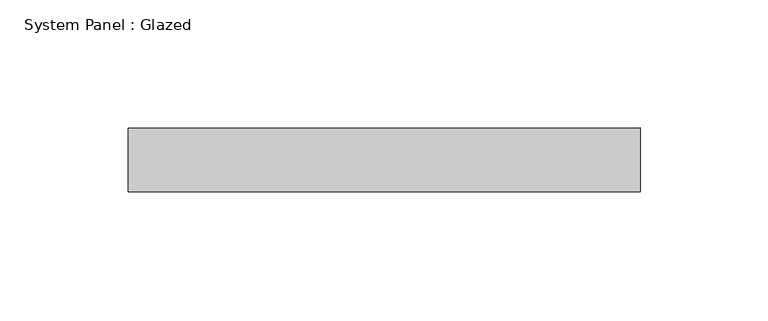
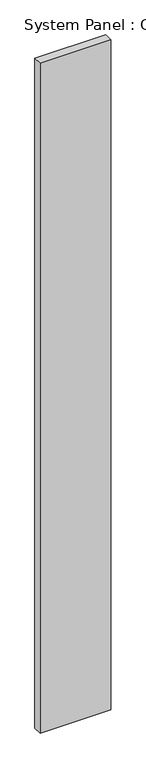
"""IFC4 building model written with IfcOpenShell, lengths in millimetres: plate geometry, System Panel : Glazed."""

from ifc_helpers import new_model, si_unit, origin, origin_with_axes, place, context, project, spatial, polyline, outline, extrude, source, transform, mapped, element, save


def system_panel_glazed_3320bddb(model_context):
    return source(origin(), model_context, "Body", "SweptSolid", [
        extrude(outline(polyline([(100.0, 24.5), (-100.0, 24.5), (-100.0, 49.5), (100.0, 49.5), (100.0, 24.5)])), origin_with_axes(), (0.0, 0.0, 1.0), 2000.0),
    ])


if __name__ == "__main__":
    model = new_model("IFC4")
    model_context = context("Model", 3, world=origin())
    ifc_project = project(units=[si_unit("LENGTHUNIT", "METRE", prefix="MILLI")], contexts=[model_context])
    site = spatial("IfcSite", under=ifc_project)
    building = spatial("IfcBuilding", under=site)
    placement = place(None, origin())
    system_panel_glazed_shape = system_panel_glazed_3320bddb(model_context)
    element("IfcPlate", 1, ObjectType="System Panel : Glazed", at=placement, inside=building, context=model_context, shape_type="MappedRepresentation", body=[
        mapped(system_panel_glazed_shape, transform((0.0, 0.0, 0.0), x_axis=(1.0, 0.0, 0.0), y_axis=(0.0, 1.0, 0.0), z_axis=(0.0, 0.0, 1.0))),
    ])
    save(model, "model.ifc")
